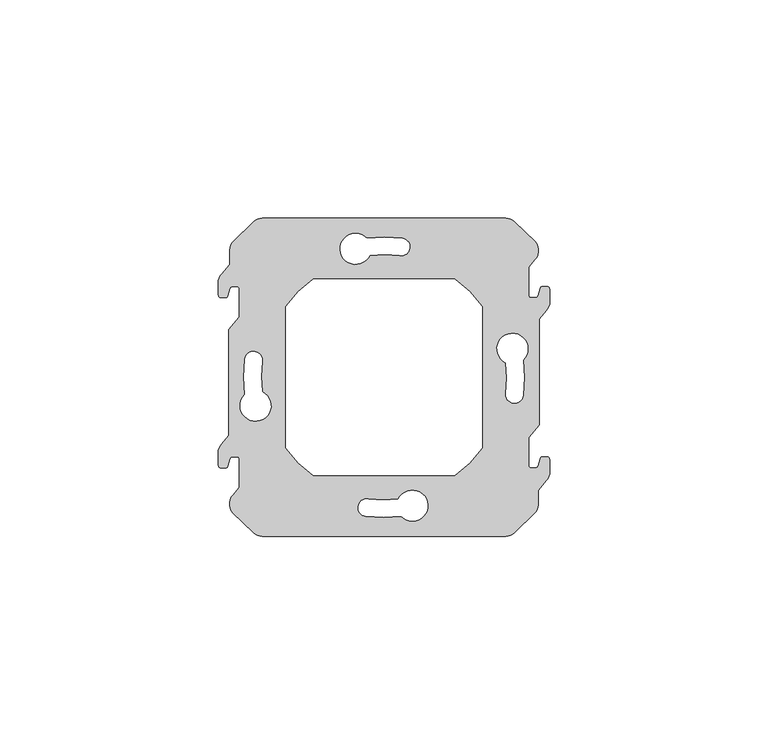
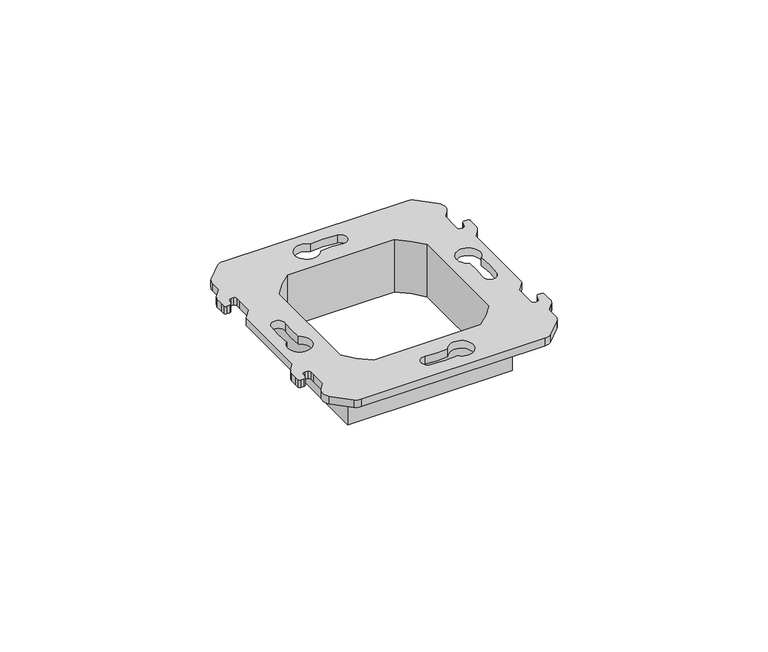
"""IFC4 building model written with IfcOpenShell, lengths in millimetres: proxy geometry."""

from ifc_helpers import new_model, si_unit, frame, origin, place, context, project, spatial, polyline, circle_curve, source, transform, mapped, element, save
from ifc_brep_helpers import plane_surface, cylinder_surface, revolved_surface, advanced_brep


def electrical_fixtures_37f6bd88(model_context):
    return source(origin(), model_context, "Body", "AdvancedBrep", [
        advanced_brep(
        [(-27.8618856, 36.4, 2.4375008), (-29.8352401, 35.6817577, 2.4375008), (-34.5626481, 31.099997, 2.4375008), (-35.325, 29.2544998, 2.4375008), (-35.325, 25.858147, 2.4375008), (-37.1551375, 23.6770741, 2.4375008), (-37.8831369, 22.2482948, 2.4375008), (-37.8831369, 20.1032876, 2.4375008), (-37.8831369, 18.8, 2.4375008), (-37.2831369, 18.2, 2.4375008), (-36.3845347, 18.2, 2.4375008), (-35.7308768, 18.6925666, 2.4375008), (-35.5094096, 19.4649142, 2.4375008), (-35.2678212, 20.3074334, 2.4375008), (-34.6141632, 20.8, 2.4375008), (-33.715561, 20.8, 2.4375008), (-33.115561, 20.2, 2.4375008), (-33.115561, 18.8967124, 2.4375008), (-33.115561, 13.7941352, 2.4375008), (-35.5, 10.9524715, 2.4375008), (-35.5, -13.3504099, 2.4375008), (-37.1551375, -15.3229259, 2.4375008), (-37.8831369, -16.7517052, 2.4375008), (-37.8831369, -18.8967124, 2.4375008), (-37.8831369, -20.2, 2.4375008), (-37.2831369, -20.8, 2.4375008), (-36.3845347, -20.8, 2.4375008), (-35.7308768, -20.3074334, 2.4375008), (-35.5094096, -19.5350858, 2.4375008), (-35.2678212, -18.6925666, 2.4375008), (-34.6141632, -18.2, 2.4375008), (-33.715561, -18.2, 2.4375008), (-33.115561, -18.8, 2.4375008), (-33.115561, -20.1032876, 2.4375008), (-33.115561, -25.2058648, 2.4375008), (-34.5487493, -26.9138721, 2.4375008), (-34.5486439, -31.0876932, 2.4375008), (-29.8352401, -35.6817577, 2.4375008), (-27.8618856, -36.4, 2.4375008), (27.8618856, -36.4, 2.4375008), (29.8352401, -35.6817577, 2.4375008), (34.5626481, -31.099997, 2.4375008), (35.325, -29.2544998, 2.4375008), (35.325, -25.858147, 2.4375008), (37.1551375, -23.6770741, 2.4375008), (37.8831369, -22.2482948, 2.4375008), (37.8831369, -20.1032876, 2.4375008), (37.8831369, -18.8, 2.4375008), (37.2831369, -18.2, 2.4375008), (36.3845347, -18.2, 2.4375008), (35.7308768, -18.6925666, 2.4375008), (35.5094096, -19.4649142, 2.4375008), (35.2678212, -20.3074334, 2.4375008), (34.6141632, -20.8, 2.4375008), (33.715561, -20.8, 2.4375008), (33.115561, -20.2, 2.4375008), (33.115561, -18.8967124, 2.4375008), (33.115561, -13.7941352, 2.4375008), (35.5, -10.9524715, 2.4375008), (35.5, 13.3504099, 2.4375008), (37.1551375, 15.3229259, 2.4375008), (37.8831369, 16.7517052, 2.4375008), (37.8831369, 18.8967124, 2.4375008), (37.8831369, 20.2, 2.4375008), (37.2831369, 20.8, 2.4375008), (36.3845347, 20.8, 2.4375008), (35.7308768, 20.3074334, 2.4375008), (35.5094096, 19.5350858, 2.4375008), (35.2678212, 18.6925666, 2.4375008), (34.6141632, 18.2, 2.4375008), (33.715561, 18.2, 2.4375008), (33.115561, 18.8, 2.4375008), (33.115561, 20.1032876, 2.4375008), (33.115561, 25.2058648, 2.4375008), (34.5487493, 26.9138721, 2.4375008), (34.5486439, 31.0876932, 2.4375008), (29.8352401, 35.6817577, 2.4375008), (27.8618856, 36.4, 2.4375008), (27.9050903, 3.2948561, 2.4375008), (31.8556482, 3.9616572, 2.4375008), (31.8309119, -4.1760763, 2.4375008), (27.8589525, -3.6577211, 2.4375008), (-27.9050903, -3.2948561, 2.4375008), (-31.8556482, -3.9616572, 2.4375008), (-31.8309119, 4.1760763, 2.4375008), (-27.8589525, 3.6577211, 2.4375008), (-3.2948561, 27.9050903, 2.4375008), (-3.9616572, 31.8556482, 2.4375008), (4.1760763, 31.8309119, 2.4375008), (3.6577211, 27.8589525, 2.4375008), (3.2948561, -27.9050903, 2.4375008), (3.9616572, -31.8556482, 2.4375008), (-4.1760763, -31.8309119, 2.4375008), (-3.6577211, -27.8589525, 2.4375008), (22.5, 16.2261024, 2.4375008), (22.5, -16.2261024, 2.4375008), (16.1766357, -22.5, 2.4375008), (-16.1766357, -22.5, 2.4375008), (-22.5, -16.2261024, 2.4375008), (-22.5, 16.2261024, 2.4375008), (-16.1766357, 22.5, 2.4375008), (16.1766357, 22.5, 2.4375008), (-27.8618856, 36.4, 0.0), (27.8618856, 36.4, 0.0), (29.8352401, 35.6817577, 0.0), (34.5626481, 31.099997, 0.0), (34.5487493, 26.9138721, 0.0), (33.115561, 25.2058648, 0.0), (33.115561, 20.1032876, 0.0), (33.115561, 18.8, 0.0), (33.715561, 18.2, 0.0), (34.6141632, 18.2, 0.0), (35.2678212, 18.6925666, 0.0), (35.5094096, 19.5350858, 0.0), (35.7308768, 20.3074334, 0.0), (36.3845347, 20.8, 0.0), (37.2831369, 20.8, 0.0), (37.8831369, 20.2, 0.0), (37.8831369, 18.8967124, 0.0), (37.8831369, 16.7517052, 0.0), (37.1551375, 15.3229259, 0.0), (35.5, 13.3504099, 0.0), (35.5, -10.9524715, 0.0), (33.115561, -13.7941352, 0.0), (33.115561, -18.8967124, 0.0), (33.115561, -20.2, 0.0), (33.715561, -20.8, 0.0), (34.6141632, -20.8, 0.0), (35.2678212, -20.3074334, 0.0), (35.5094096, -19.4649142, 0.0), (35.7308768, -18.6925666, 0.0), (36.3845347, -18.2, 0.0), (37.2831369, -18.2, 0.0), (37.8831369, -18.8, 0.0), (37.8831369, -20.1032876, 0.0), (37.8831369, -22.2482948, 0.0), (37.1551375, -23.6770741, 0.0), (35.325, -25.858147, 0.0), (35.325, -29.2544998, 0.0), (34.5486439, -31.0876932, 0.0), (29.8352401, -35.6817577, 0.0), (27.8618856, -36.4, 0.0), (-27.8618856, -36.4, 0.0), (-29.8352401, -35.6817577, 0.0), (-34.5626481, -31.099997, 0.0), (-34.5487493, -26.9138721, 0.0), (-33.115561, -25.2058648, 0.0), (-33.115561, -20.1032876, 0.0), (-33.115561, -18.8, 0.0), (-33.715561, -18.2, 0.0), (-34.6141632, -18.2, 0.0), (-35.2678212, -18.6925666, 0.0), (-35.5094096, -19.5350858, 0.0), (-35.7308768, -20.3074334, 0.0), (-36.3845347, -20.8, 0.0), (-37.2831369, -20.8, 0.0), (-37.8831369, -20.2, 0.0), (-37.8831369, -18.8967124, 0.0), (-37.8831369, -16.7517052, 0.0), (-37.1551375, -15.3229259, 0.0), (-35.5, -13.3504099, 0.0), (-35.5, 10.9524715, 0.0), (-33.115561, 13.7941352, 0.0), (-33.115561, 18.8967124, 0.0), (-33.115561, 20.2, 0.0), (-33.715561, 20.8, 0.0), (-34.6141632, 20.8, 0.0), (-35.2678212, 20.3074334, 0.0), (-35.5094096, 19.4649142, 0.0), (-35.7308768, 18.6925666, 0.0), (-36.3845347, 18.2, 0.0), (-37.2831369, 18.2, 0.0), (-37.8831369, 18.8, 0.0), (-37.8831369, 20.1032876, 0.0), (-37.8831369, 22.2482948, 0.0), (-37.1551375, 23.6770741, 0.0), (-35.325, 25.858147, 0.0), (-35.325, 29.2544998, 0.0), (-34.5486439, 31.0876932, 0.0), (-29.8352401, 35.6817577, 0.0), (27.9050903, 3.2948561, 0.0), (27.8589525, -3.6577211, 0.0), (31.8309119, -4.1760763, 0.0), (31.8556482, 3.9616572, 0.0), (-27.9050903, -3.2948561, 0.0), (-27.8589525, 3.6577211, 0.0), (-31.8309119, 4.1760763, 0.0), (-31.8556482, -3.9616572, 0.0), (-3.2948561, 27.9050903, 0.0), (3.6577211, 27.8589525, 0.0), (4.1760763, 31.8309119, 0.0), (-3.9616572, 31.8556482, 0.0), (3.2948561, -27.9050903, 0.0), (-3.6577211, -27.8589525, 0.0), (-4.1760763, -31.8309119, 0.0), (3.9616572, -31.8556482, 0.0), (-25.0160811, 24.2, 0.0), (-25.0160811, -24.2, 0.0), (25.0160811, -24.2, 0.0), (25.0160811, 24.2, 0.0), (22.5, 16.2261024, -14.3051196), (22.5, -16.2261024, -14.3051196), (16.1766357, -22.5, -14.3051196), (-16.1766357, -22.5, -14.3051196), (-22.5, -16.2261024, -14.3051196), (-22.5, 16.2261024, -14.3051196), (-16.1766357, 22.5, -14.3051196), (16.1766357, 22.5, -14.3051196), (-25.0160811, 24.2, -14.3051196), (25.0160811, 24.2, -14.3051196), (25.0160811, -24.2, -14.3051196), (-25.0160811, -24.2, -14.3051196)],
        [
            (0, 1, circle_curve(frame((-27.8618856, 33.3300054, 2.4375008), z_axis=(0.0, 0.0, 1.0), x_axis=(0.0, -1.0, 0.0)), 3.0699946)),
            (1, 2, circle_curve(frame((-0.2680233, 0.4449208, 2.4375008), z_axis=(0.0, 0.0, 1.0), x_axis=(0.0, -1.0, 0.0)), 45.9984237)),
            (2, 3, circle_curve(frame((-32.1732427, 29.0007227, 2.4375008), z_axis=(0.0, 0.0, 1.0), x_axis=(0.0, -1.0, 0.0)), 3.1619578)),
            (3, 4),
            (4, 5),
            (5, 6, circle_curve(frame((-34.5250548, 21.4371233, 2.4375008), z_axis=(0.0, 0.0, 1.0), x_axis=(0.0, 1.0, 0.0)), 3.4546657)),
            (6, 7),
            (7, 8),
            (8, 9, circle_curve(frame((-37.2831369, 18.8, 2.4375008), z_axis=(0.0, 0.0, 1.0), x_axis=(0.0, 1.0, 0.0)), 0.6)),
            (9, 10),
            (10, 11, circle_curve(frame((-36.3845347, 18.88, 2.4375008), z_axis=(0.0, 0.0, 1.0), x_axis=(0.0, 1.0, 0.0)), 0.68)),
            (11, 12),
            (12, 13),
            (13, 14, circle_curve(frame((-34.6141632, 20.12, 2.4375008), z_axis=(0.0, 0.0, -1.0), x_axis=(0.0, -1.0, 0.0)), 0.68)),
            (14, 15),
            (15, 16, circle_curve(frame((-33.715561, 20.2, 2.4375008), z_axis=(0.0, 0.0, -1.0), x_axis=(0.0, -1.0, 0.0)), 0.6)),
            (16, 17),
            (17, 18),
            (18, 19),
            (19, 20),
            (20, 21),
            (21, 22, circle_curve(frame((-34.5250548, -17.5628767, 2.4375008), z_axis=(0.0, 0.0, 1.0), x_axis=(0.0, 1.0, 0.0)), 3.4546657)),
            (22, 23),
            (23, 24),
            (24, 25, circle_curve(frame((-37.2831369, -20.2, 2.4375008), z_axis=(0.0, 0.0, 1.0), x_axis=(0.0, 1.0, 0.0)), 0.6)),
            (25, 26),
            (26, 27, circle_curve(frame((-36.3845347, -20.12, 2.4375008), z_axis=(0.0, 0.0, 1.0), x_axis=(0.0, 1.0, 0.0)), 0.68)),
            (27, 28),
            (28, 29),
            (29, 30, circle_curve(frame((-34.6141632, -18.88, 2.4375008), z_axis=(0.0, 0.0, -1.0), x_axis=(0.0, -1.0, 0.0)), 0.68)),
            (30, 31),
            (31, 32, circle_curve(frame((-33.715561, -18.8, 2.4375008), z_axis=(0.0, 0.0, -1.0), x_axis=(0.0, -1.0, 0.0)), 0.6)),
            (32, 33),
            (33, 34),
            (34, 35),
            (35, 36, circle_curve(frame((-32.1732427, -29.0007227, 2.4375008), z_axis=(0.0, 0.0, 1.0), x_axis=(0.0, 1.0, 0.0)), 3.1619578)),
            (36, 37, circle_curve(frame((-0.2680233, -0.4449208, 2.4375008), z_axis=(0.0, 0.0, 1.0), x_axis=(0.0, 1.0, 0.0)), 45.9984237)),
            (37, 38, circle_curve(frame((-27.8618856, -33.3300054, 2.4375008), z_axis=(0.0, 0.0, 1.0), x_axis=(0.0, 1.0, 0.0)), 3.0699946)),
            (38, 39),
            (39, 40, circle_curve(frame((27.8618856, -33.3300054, 2.4375008), z_axis=(0.0, 0.0, 1.0), x_axis=(0.0, 1.0, 0.0)), 3.0699946)),
            (40, 41, circle_curve(frame((0.2680233, -0.4449208, 2.4375008), z_axis=(0.0, 0.0, 1.0), x_axis=(0.0, 1.0, 0.0)), 45.9984237)),
            (41, 42, circle_curve(frame((32.1732427, -29.0007227, 2.4375008), z_axis=(0.0, 0.0, 1.0), x_axis=(0.0, 1.0, 0.0)), 3.1619578)),
            (42, 43),
            (43, 44),
            (44, 45, circle_curve(frame((34.5250548, -21.4371233, 2.4375008), z_axis=(0.0, 0.0, 1.0), x_axis=(0.0, -1.0, 0.0)), 3.4546657)),
            (45, 46),
            (46, 47),
            (47, 48, circle_curve(frame((37.2831369, -18.8, 2.4375008), z_axis=(0.0, 0.0, 1.0), x_axis=(0.0, -1.0, 0.0)), 0.6)),
            (48, 49),
            (49, 50, circle_curve(frame((36.3845347, -18.88, 2.4375008), z_axis=(0.0, 0.0, 1.0), x_axis=(0.0, -1.0, 0.0)), 0.68)),
            (50, 51),
            (51, 52),
            (52, 53, circle_curve(frame((34.6141632, -20.12, 2.4375008), z_axis=(0.0, 0.0, -1.0), x_axis=(0.0, 1.0, 0.0)), 0.68)),
            (53, 54),
            (54, 55, circle_curve(frame((33.715561, -20.2, 2.4375008), z_axis=(0.0, 0.0, -1.0), x_axis=(0.0, 1.0, 0.0)), 0.6)),
            (55, 56),
            (56, 57),
            (57, 58),
            (58, 59),
            (59, 60),
            (60, 61, circle_curve(frame((34.5250548, 17.5628767, 2.4375008), z_axis=(0.0, 0.0, 1.0), x_axis=(0.0, -1.0, 0.0)), 3.4546657)),
            (61, 62),
            (62, 63),
            (63, 64, circle_curve(frame((37.2831369, 20.2, 2.4375008), z_axis=(0.0, 0.0, 1.0), x_axis=(0.0, -1.0, 0.0)), 0.6)),
            (64, 65),
            (65, 66, circle_curve(frame((36.3845347, 20.12, 2.4375008), z_axis=(0.0, 0.0, 1.0), x_axis=(0.0, -1.0, 0.0)), 0.68)),
            (66, 67),
            (67, 68),
            (68, 69, circle_curve(frame((34.6141632, 18.88, 2.4375008), z_axis=(0.0, 0.0, -1.0), x_axis=(0.0, 1.0, 0.0)), 0.68)),
            (69, 70),
            (70, 71, circle_curve(frame((33.715561, 18.8, 2.4375008), z_axis=(0.0, 0.0, -1.0), x_axis=(0.0, 1.0, 0.0)), 0.6)),
            (71, 72),
            (72, 73),
            (73, 74),
            (74, 75, circle_curve(frame((32.1732427, 29.0007227, 2.4375008), z_axis=(0.0, 0.0, 1.0), x_axis=(0.0, -1.0, 0.0)), 3.1619578)),
            (75, 76, circle_curve(frame((0.2680233, 0.4449208, 2.4375008), z_axis=(0.0, 0.0, 1.0), x_axis=(0.0, -1.0, 0.0)), 45.9984237)),
            (76, 77, circle_curve(frame((27.8618856, 33.3300054, 2.4375008), z_axis=(0.0, 0.0, 1.0), x_axis=(0.0, -1.0, 0.0)), 3.0699946)),
            (77, 0),
            (78, 79, circle_curve(frame((29.3931272, 6.5149916, 2.4375008), z_axis=(0.0, 0.0, -1.0), x_axis=(0.0, -1.0, 0.0)), 3.5473266)),
            (79, 80, circle_curve(frame((-0.0910888, -0.0101383, 2.4375008), z_axis=(0.0, 0.0, -1.0), x_axis=(0.0, -1.0, 0.0)), 32.1926881)),
            (80, 81, circle_curve(frame((29.8424212, -3.9361393, 2.4375008), z_axis=(0.0, 0.0, -1.0), x_axis=(0.0, -1.0, 0.0)), 2.0029141)),
            (81, 78, circle_curve(frame((1.8636153, -0.0087726, 2.4375008), z_axis=(0.0, 0.0, 1.0), x_axis=(0.0, -1.0, 0.0)), 26.2501882)),
            (82, 83, circle_curve(frame((-29.3931272, -6.5149916, 2.4375008), z_axis=(0.0, 0.0, -1.0), x_axis=(0.0, 1.0, 0.0)), 3.5473266)),
            (83, 84, circle_curve(frame((0.0910888, 0.0101383, 2.4375008), z_axis=(0.0, 0.0, -1.0), x_axis=(0.0, 1.0, 0.0)), 32.1926881)),
            (84, 85, circle_curve(frame((-29.8424212, 3.9361393, 2.4375008), z_axis=(0.0, 0.0, -1.0), x_axis=(0.0, 1.0, 0.0)), 2.0029141)),
            (85, 82, circle_curve(frame((-1.8636153, 0.0087726, 2.4375008), z_axis=(0.0, 0.0, 1.0), x_axis=(0.0, 1.0, 0.0)), 26.2501882)),
            (86, 87, circle_curve(frame((-6.5149916, 29.3931272, 2.4375008), z_axis=(0.0, 0.0, -1.0), x_axis=(1.0, 0.0, 0.0)), 3.5473266)),
            (87, 88, circle_curve(frame((0.0101383, -0.0910888, 2.4375008), z_axis=(0.0, 0.0, -1.0), x_axis=(1.0, 0.0, 0.0)), 32.1926881)),
            (88, 89, circle_curve(frame((3.9361393, 29.8424212, 2.4375008), z_axis=(0.0, 0.0, -1.0), x_axis=(1.0, 0.0, 0.0)), 2.0029141)),
            (89, 86, circle_curve(frame((0.0087726, 1.8636153, 2.4375008), z_axis=(0.0, 0.0, 1.0), x_axis=(1.0, 0.0, 0.0)), 26.2501882)),
            (90, 91, circle_curve(frame((6.5149916, -29.3931272, 2.4375008), z_axis=(0.0, 0.0, -1.0), x_axis=(-1.0, 0.0, 0.0)), 3.5473266)),
            (91, 92, circle_curve(frame((-0.0101383, 0.0910888, 2.4375008), z_axis=(0.0, 0.0, -1.0), x_axis=(-1.0, 0.0, 0.0)), 32.1926881)),
            (92, 93, circle_curve(frame((-3.9361393, -29.8424212, 2.4375008), z_axis=(0.0, 0.0, -1.0), x_axis=(-1.0, 0.0, 0.0)), 2.0029141)),
            (93, 90, circle_curve(frame((-0.0087726, -1.8636153, 2.4375008), z_axis=(0.0, 0.0, 1.0), x_axis=(-1.0, 0.0, 0.0)), 26.2501882)),
            (94, 95),
            (95, 96, circle_curve(frame((1.1253261, -1.0064586, 2.4375008), z_axis=(0.0, 0.0, -1.0), x_axis=(1.0, 0.0, 0.0)), 26.2395549)),
            (96, 97),
            (97, 98, circle_curve(frame((-1.1253261, -1.0064586, 2.4375008), z_axis=(0.0, 0.0, -1.0), x_axis=(-1.0, 0.0, 0.0)), 26.2395549)),
            (98, 99),
            (99, 100, circle_curve(frame((-1.1253261, 1.0064586, 2.4375008), z_axis=(0.0, 0.0, -1.0), x_axis=(-1.0, 0.0, 0.0)), 26.2395549)),
            (100, 101),
            (101, 94, circle_curve(frame((1.1253261, 1.0064586, 2.4375008), z_axis=(0.0, 0.0, -1.0), x_axis=(1.0, 0.0, 0.0)), 26.2395549)),
            (102, 103),
            (103, 104, circle_curve(frame((27.8618856, 33.3300054, 0.0), z_axis=(0.0, 0.0, -1.0), x_axis=(0.0, -1.0, 0.0)), 3.0699946)),
            (104, 105, circle_curve(frame((0.2680233, 0.4449208, 0.0), z_axis=(0.0, 0.0, -1.0), x_axis=(0.0, -1.0, 0.0)), 45.9984237)),
            (105, 106, circle_curve(frame((32.1732427, 29.0007227, 0.0), z_axis=(0.0, 0.0, -1.0), x_axis=(0.0, -1.0, 0.0)), 3.1619578)),
            (106, 107),
            (107, 108),
            (108, 109),
            (109, 110, circle_curve(frame((33.715561, 18.8, 0.0), z_axis=(0.0, 0.0, 1.0), x_axis=(0.0, 1.0, 0.0)), 0.6)),
            (110, 111),
            (111, 112, circle_curve(frame((34.6141632, 18.88, 0.0), z_axis=(0.0, 0.0, 1.0), x_axis=(0.0, 1.0, 0.0)), 0.68)),
            (112, 113),
            (113, 114),
            (114, 115, circle_curve(frame((36.3845347, 20.12, 0.0), z_axis=(0.0, 0.0, -1.0), x_axis=(0.0, -1.0, 0.0)), 0.68)),
            (115, 116),
            (116, 117, circle_curve(frame((37.2831369, 20.2, 0.0), z_axis=(0.0, 0.0, -1.0), x_axis=(0.0, -1.0, 0.0)), 0.6)),
            (117, 118),
            (118, 119),
            (119, 120, circle_curve(frame((34.5250548, 17.5628767, 0.0), z_axis=(0.0, 0.0, -1.0), x_axis=(0.0, -1.0, 0.0)), 3.4546657)),
            (120, 121),
            (121, 122),
            (122, 123),
            (123, 124),
            (124, 125),
            (125, 126, circle_curve(frame((33.715561, -20.2, 0.0), z_axis=(0.0, 0.0, 1.0), x_axis=(0.0, 1.0, 0.0)), 0.6)),
            (126, 127),
            (127, 128, circle_curve(frame((34.6141632, -20.12, 0.0), z_axis=(0.0, 0.0, 1.0), x_axis=(0.0, 1.0, 0.0)), 0.68)),
            (128, 129),
            (129, 130),
            (130, 131, circle_curve(frame((36.3845347, -18.88, 0.0), z_axis=(0.0, 0.0, -1.0), x_axis=(0.0, -1.0, 0.0)), 0.68)),
            (131, 132),
            (132, 133, circle_curve(frame((37.2831369, -18.8, 0.0), z_axis=(0.0, 0.0, -1.0), x_axis=(0.0, -1.0, 0.0)), 0.6)),
            (133, 134),
            (134, 135),
            (135, 136, circle_curve(frame((34.5250548, -21.4371233, 0.0), z_axis=(0.0, 0.0, -1.0), x_axis=(0.0, -1.0, 0.0)), 3.4546657)),
            (136, 137),
            (137, 138),
            (138, 139, circle_curve(frame((32.1732427, -29.0007227, 0.0), z_axis=(0.0, 0.0, -1.0), x_axis=(0.0, 1.0, 0.0)), 3.1619578)),
            (139, 140, circle_curve(frame((0.2680233, -0.4449208, 0.0), z_axis=(0.0, 0.0, -1.0), x_axis=(0.0, 1.0, 0.0)), 45.9984237)),
            (140, 141, circle_curve(frame((27.8618856, -33.3300054, 0.0), z_axis=(0.0, 0.0, -1.0), x_axis=(0.0, 1.0, 0.0)), 3.0699946)),
            (141, 142),
            (142, 143, circle_curve(frame((-27.8618856, -33.3300054, 0.0), z_axis=(0.0, 0.0, -1.0), x_axis=(0.0, 1.0, 0.0)), 3.0699946)),
            (143, 144, circle_curve(frame((-0.2680233, -0.4449208, 0.0), z_axis=(0.0, 0.0, -1.0), x_axis=(0.0, 1.0, 0.0)), 45.9984237)),
            (144, 145, circle_curve(frame((-32.1732427, -29.0007227, 0.0), z_axis=(0.0, 0.0, -1.0), x_axis=(0.0, 1.0, 0.0)), 3.1619578)),
            (145, 146),
            (146, 147),
            (147, 148),
            (148, 149, circle_curve(frame((-33.715561, -18.8, 0.0), z_axis=(0.0, 0.0, 1.0), x_axis=(0.0, -1.0, 0.0)), 0.6)),
            (149, 150),
            (150, 151, circle_curve(frame((-34.6141632, -18.88, 0.0), z_axis=(0.0, 0.0, 1.0), x_axis=(0.0, -1.0, 0.0)), 0.68)),
            (151, 152),
            (152, 153),
            (153, 154, circle_curve(frame((-36.3845347, -20.12, 0.0), z_axis=(0.0, 0.0, -1.0), x_axis=(0.0, 1.0, 0.0)), 0.68)),
            (154, 155),
            (155, 156, circle_curve(frame((-37.2831369, -20.2, 0.0), z_axis=(0.0, 0.0, -1.0), x_axis=(0.0, 1.0, 0.0)), 0.6)),
            (156, 157),
            (157, 158),
            (158, 159, circle_curve(frame((-34.5250548, -17.5628767, 0.0), z_axis=(0.0, 0.0, -1.0), x_axis=(0.0, 1.0, 0.0)), 3.4546657)),
            (159, 160),
            (160, 161),
            (161, 162),
            (162, 163),
            (163, 164),
            (164, 165, circle_curve(frame((-33.715561, 20.2, 0.0), z_axis=(0.0, 0.0, 1.0), x_axis=(0.0, -1.0, 0.0)), 0.6)),
            (165, 166),
            (166, 167, circle_curve(frame((-34.6141632, 20.12, 0.0), z_axis=(0.0, 0.0, 1.0), x_axis=(0.0, -1.0, 0.0)), 0.68)),
            (167, 168),
            (168, 169),
            (169, 170, circle_curve(frame((-36.3845347, 18.88, 0.0), z_axis=(0.0, 0.0, -1.0), x_axis=(0.0, 1.0, 0.0)), 0.68)),
            (170, 171),
            (171, 172, circle_curve(frame((-37.2831369, 18.8, 0.0), z_axis=(0.0, 0.0, -1.0), x_axis=(0.0, 1.0, 0.0)), 0.6)),
            (172, 173),
            (173, 174),
            (174, 175, circle_curve(frame((-34.5250548, 21.4371233, 0.0), z_axis=(0.0, 0.0, -1.0), x_axis=(0.0, 1.0, 0.0)), 3.4546657)),
            (175, 176),
            (176, 177),
            (177, 178, circle_curve(frame((-32.1732427, 29.0007227, 0.0), z_axis=(0.0, 0.0, -1.0), x_axis=(0.0, -1.0, 0.0)), 3.1619578)),
            (178, 179, circle_curve(frame((-0.2680233, 0.4449208, 0.0), z_axis=(0.0, 0.0, -1.0), x_axis=(0.0, -1.0, 0.0)), 45.9984237)),
            (179, 102, circle_curve(frame((-27.8618856, 33.3300054, 0.0), z_axis=(0.0, 0.0, -1.0), x_axis=(0.0, -1.0, 0.0)), 3.0699946)),
            (180, 181, circle_curve(frame((1.8636153, -0.0087726, 0.0), z_axis=(0.0, 0.0, -1.0), x_axis=(0.0, -1.0, 0.0)), 26.2501882)),
            (181, 182, circle_curve(frame((29.8424212, -3.9361393, 0.0), z_axis=(0.0, 0.0, 1.0), x_axis=(0.0, -1.0, 0.0)), 2.0029141)),
            (182, 183, circle_curve(frame((-0.0910888, -0.0101383, 0.0), z_axis=(0.0, 0.0, 1.0), x_axis=(0.0, -1.0, 0.0)), 32.1926881)),
            (183, 180, circle_curve(frame((29.3931272, 6.5149916, 0.0), z_axis=(0.0, 0.0, 1.0), x_axis=(0.0, -1.0, 0.0)), 3.5473266)),
            (184, 185, circle_curve(frame((-1.8636153, 0.0087726, 0.0), z_axis=(0.0, 0.0, -1.0), x_axis=(0.0, 1.0, 0.0)), 26.2501882)),
            (185, 186, circle_curve(frame((-29.8424212, 3.9361393, 0.0), z_axis=(0.0, 0.0, 1.0), x_axis=(0.0, 1.0, 0.0)), 2.0029141)),
            (186, 187, circle_curve(frame((0.0910888, 0.0101383, 0.0), z_axis=(0.0, 0.0, 1.0), x_axis=(0.0, 1.0, 0.0)), 32.1926881)),
            (187, 184, circle_curve(frame((-29.3931272, -6.5149916, 0.0), z_axis=(0.0, 0.0, 1.0), x_axis=(0.0, 1.0, 0.0)), 3.5473266)),
            (188, 189, circle_curve(frame((0.0087726, 1.8636153, 0.0), z_axis=(0.0, 0.0, -1.0), x_axis=(1.0, 0.0, 0.0)), 26.2501882)),
            (189, 190, circle_curve(frame((3.9361393, 29.8424212, 0.0), z_axis=(0.0, 0.0, 1.0), x_axis=(1.0, 0.0, 0.0)), 2.0029141)),
            (190, 191, circle_curve(frame((0.0101383, -0.0910888, 0.0), z_axis=(0.0, 0.0, 1.0), x_axis=(1.0, 0.0, 0.0)), 32.1926881)),
            (191, 188, circle_curve(frame((-6.5149916, 29.3931272, 0.0), z_axis=(0.0, 0.0, 1.0), x_axis=(1.0, 0.0, 0.0)), 3.5473266)),
            (192, 193, circle_curve(frame((-0.0087726, -1.8636153, 0.0), z_axis=(0.0, 0.0, -1.0), x_axis=(-1.0, 0.0, 0.0)), 26.2501882)),
            (193, 194, circle_curve(frame((-3.9361393, -29.8424212, 0.0), z_axis=(0.0, 0.0, 1.0), x_axis=(-1.0, 0.0, 0.0)), 2.0029141)),
            (194, 195, circle_curve(frame((-0.0101383, 0.0910888, 0.0), z_axis=(0.0, 0.0, 1.0), x_axis=(-1.0, 0.0, 0.0)), 32.1926881)),
            (195, 192, circle_curve(frame((6.5149916, -29.3931272, 0.0), z_axis=(0.0, 0.0, 1.0), x_axis=(-1.0, 0.0, 0.0)), 3.5473266)),
            (196, 197),
            (197, 198),
            (198, 199),
            (199, 196),
            (0, 102),
            (179, 1),
            (178, 2),
            (36, 144),
            (143, 37),
            (142, 38),
            (141, 39),
            (140, 40),
            (139, 41),
            (138, 42),
            (137, 43),
            (136, 44),
            (135, 45),
            (134, 46),
            (133, 47),
            (132, 48),
            (131, 49),
            (130, 50),
            (129, 51),
            (57, 123),
            (122, 58),
            (121, 59),
            (120, 60),
            (119, 61),
            (118, 62),
            (117, 63),
            (116, 64),
            (115, 65),
            (114, 66),
            (113, 67),
            (73, 107),
            (106, 74),
            (105, 75),
            (104, 76),
            (103, 77),
            (78, 180),
            (183, 79),
            (182, 80),
            (181, 81),
            (82, 184),
            (187, 83),
            (186, 84),
            (185, 85),
            (86, 188),
            (191, 87),
            (190, 88),
            (189, 89),
            (90, 192),
            (195, 91),
            (194, 92),
            (193, 93),
            (94, 200),
            (200, 201),
            (201, 95),
            (96, 202),
            (202, 203),
            (203, 97),
            (98, 204),
            (204, 205),
            (205, 99),
            (100, 206),
            (206, 207),
            (207, 101),
            (208, 209),
            (209, 210),
            (210, 211),
            (211, 208),
            (204, 203, circle_curve(frame((-1.1253261, -1.0064586, -14.3051196), z_axis=(0.0, 0.0, 1.0), x_axis=(-1.0, 0.0, 0.0)), 26.2395549)),
            (202, 201, circle_curve(frame((1.1253261, -1.0064586, -14.3051196), z_axis=(0.0, 0.0, 1.0), x_axis=(1.0, 0.0, 0.0)), 26.2395549)),
            (200, 207, circle_curve(frame((1.1253261, 1.0064586, -14.3051196), z_axis=(0.0, 0.0, 1.0), x_axis=(1.0, 0.0, 0.0)), 26.2395549)),
            (206, 205, circle_curve(frame((-1.1253261, 1.0064586, -14.3051196), z_axis=(0.0, 0.0, 1.0), x_axis=(-1.0, 0.0, 0.0)), 26.2395549)),
            (211, 197),
            (196, 208),
            (210, 198),
            (209, 199),
            (177, 3),
            (176, 4),
            (175, 5),
            (174, 6),
            (173, 7),
            (172, 8),
            (171, 9),
            (170, 10),
            (169, 11),
            (168, 12),
            (167, 13),
            (166, 14),
            (165, 15),
            (164, 16),
            (163, 17),
            (162, 18),
            (161, 19),
            (160, 20),
            (159, 21),
            (158, 22),
            (157, 23),
            (156, 24),
            (155, 25),
            (154, 26),
            (153, 27),
            (152, 28),
            (151, 29),
            (150, 30),
            (149, 31),
            (148, 32),
            (147, 33),
            (146, 34),
            (145, 35),
            (128, 52),
            (127, 53),
            (126, 54),
            (125, 55),
            (124, 56),
            (112, 68),
            (111, 69),
            (110, 70),
            (109, 71),
            (108, 72),
        ],
        [
            plane_surface(frame((-27.8618856, 30.2600108, 2.4375008), z_axis=(0.0, 0.0, 1.0), x_axis=(1.0, 0.0, 0.0))),
            plane_surface(frame((-27.8618856, 30.2600108, 0.0), z_axis=(0.0, 0.0, -1.0), x_axis=(-1.0, 0.0, 0.0))),
            cylinder_surface(frame((-27.8618856, 33.3300054, 0.0), z_axis=(0.0, 0.0, 1.0), x_axis=(0.0, -1.0, 0.0)), 3.0699946),
            cylinder_surface(frame((-0.2680233, 0.4449208, 0.0), z_axis=(0.0, 0.0, 1.0), x_axis=(0.0, -1.0, 0.0)), 45.9984237),
            cylinder_surface(frame((-0.2680233, -0.4449208, 0.0), z_axis=(0.0, 0.0, 1.0), x_axis=(0.0, 1.0, 0.0)), 45.9984237),
            cylinder_surface(frame((-27.8618856, -33.3300054, 0.0), z_axis=(0.0, 0.0, 1.0), x_axis=(0.0, 1.0, 0.0)), 3.0699946),
            plane_surface(frame((-27.8618856, -36.4, 2.4375008), z_axis=(0.0, -1.0, 0.0), x_axis=(0.0, 0.0, -1.0))),
            cylinder_surface(frame((27.8618856, -33.3300054, 0.0), z_axis=(0.0, 0.0, 1.0), x_axis=(0.0, 1.0, 0.0)), 3.0699946),
            cylinder_surface(frame((0.2680233, -0.4449208, 0.0), z_axis=(0.0, 0.0, 1.0), x_axis=(0.0, 1.0, 0.0)), 45.9984237),
            cylinder_surface(frame((32.1732427, -29.0007227, 0.0), z_axis=(0.0, 0.0, 1.0), x_axis=(0.0, 1.0, 0.0)), 3.1619578),
            plane_surface(frame((35.325, -29.2544998, 2.4375008), z_axis=(1.0, 0.0, 0.0), x_axis=(0.0, 0.0, -1.0))),
            plane_surface(frame((35.325, -25.858147, 2.4375008), z_axis=(0.7660444431193687, -0.6427876096860737, 0.0), x_axis=(0.0, 0.0, -1.0))),
            cylinder_surface(frame((34.5250548, -21.4371233, 0.0), z_axis=(0.0, 0.0, 1.0), x_axis=(0.0, -1.0, 0.0)), 3.4546657),
            plane_surface(frame((37.8831369, -22.2482948, 2.4375008), z_axis=(1.0, 0.0, 0.0), x_axis=(0.0, 0.0, -1.0))),
            plane_surface(frame((37.8831369, -20.1032876, 2.4375008), z_axis=(1.0, 0.0, 0.0), x_axis=(0.0, 0.0, -1.0))),
            cylinder_surface(frame((37.2831369, -18.8, 0.0), z_axis=(0.0, 0.0, 1.0), x_axis=(0.0, -1.0, 0.0)), 0.6),
            plane_surface(frame((37.2831369, -18.2, 2.4375008), z_axis=(0.0, 1.0, 0.0), x_axis=(0.0, 0.0, -1.0))),
            cylinder_surface(frame((36.3845347, -18.88, 0.0), z_axis=(0.0, 0.0, 1.0), x_axis=(0.0, -1.0, 0.0)), 0.68),
            plane_surface(frame((35.7308768, -18.6925666, 2.4375008), z_axis=(-0.9612616959382921, 0.27563735581709237, 0.0), x_axis=(0.0, 0.0, -1.0))),
            plane_surface(frame((33.115561, -13.7941352, 2.4375008), z_axis=(0.7660444431184643, -0.6427876096871517, 0.0), x_axis=(0.0, 0.0, -1.0))),
            plane_surface(frame((35.5, -10.9524715, 2.4375008), z_axis=(1.0, 0.0, 0.0), x_axis=(0.0, 0.0, -1.0))),
            plane_surface(frame((35.5, 13.3504099, 2.4375008), z_axis=(0.766044443119369, -0.6427876096860735, 0.0), x_axis=(0.0, 0.0, -1.0))),
            cylinder_surface(frame((34.5250548, 17.5628767, 0.0), z_axis=(0.0, 0.0, 1.0), x_axis=(0.0, -1.0, 0.0)), 3.4546657),
            plane_surface(frame((37.8831369, 16.7517052, 2.4375008), z_axis=(1.0, 0.0, 0.0), x_axis=(0.0, 0.0, -1.0))),
            plane_surface(frame((37.8831369, 18.8967124, 2.4375008), z_axis=(1.0, 0.0, 0.0), x_axis=(0.0, 0.0, -1.0))),
            cylinder_surface(frame((37.2831369, 20.2, 0.0), z_axis=(0.0, 0.0, 1.0), x_axis=(0.0, -1.0, 0.0)), 0.6),
            plane_surface(frame((37.2831369, 20.8, 2.4375008), z_axis=(0.0, 1.0, 0.0), x_axis=(0.0, 0.0, -1.0))),
            cylinder_surface(frame((36.3845347, 20.12, 0.0), z_axis=(0.0, 0.0, 1.0), x_axis=(0.0, -1.0, 0.0)), 0.68),
            plane_surface(frame((35.7308768, 20.3074334, 2.4375008), z_axis=(-0.9612616959382918, 0.27563735581709375, 0.0), x_axis=(0.0, 0.0, -1.0))),
            plane_surface(frame((33.115561, 25.2058648, 2.4375008), z_axis=(0.7660444431184653, -0.6427876096871505, 0.0), x_axis=(0.0, 0.0, -1.0))),
            cylinder_surface(frame((32.1732427, 29.0007227, 0.0), z_axis=(0.0, 0.0, 1.0), x_axis=(0.0, -1.0, 0.0)), 3.1619578),
            cylinder_surface(frame((0.2680233, 0.4449208, 0.0), z_axis=(0.0, 0.0, 1.0), x_axis=(0.0, -1.0, 0.0)), 45.9984237),
            cylinder_surface(frame((27.8618856, 33.3300054, 0.0), z_axis=(0.0, 0.0, 1.0), x_axis=(0.0, -1.0, 0.0)), 3.0699946),
            plane_surface(frame((27.8618856, 36.4, 2.4375008), z_axis=(0.0, 1.0, 0.0), x_axis=(0.0, 0.0, -1.0))),
            revolved_surface(polyline([(29.3931272, 2.967665, 0.0), (29.3931272, 2.967665, 2.4375008)]), (29.3931272, 6.5149916, 0.0), (0.0, 0.0, -1.0)),
            revolved_surface(polyline([(-0.0910888, -32.2028264, 0.0), (-0.0910888, -32.2028264, 2.4375008)]), (-0.0910888, -0.0101383, 0.0), (0.0, 0.0, -1.0)),
            revolved_surface(polyline([(29.8424212, -5.9390534, 0.0), (29.8424212, -5.9390534, 2.4375008)]), (29.8424212, -3.9361393, 0.0), (0.0, 0.0, -1.0)),
            cylinder_surface(frame((1.8636153, -0.0087726, 0.0), z_axis=(0.0, 0.0, 1.0), x_axis=(0.0, -1.0, 0.0)), 26.2501882),
            revolved_surface(polyline([(-29.3931272, -2.967665, 0.0), (-29.3931272, -2.967665, 2.4375008)]), (-29.3931272, -6.5149916, 0.0), (0.0, 0.0, -1.0)),
            revolved_surface(polyline([(0.0910888, 32.2028264, 0.0), (0.0910888, 32.2028264, 2.4375008)]), (0.0910888, 0.0101383, 0.0), (0.0, 0.0, -1.0)),
            revolved_surface(polyline([(-29.8424212, 5.9390534, 0.0), (-29.8424212, 5.9390534, 2.4375008)]), (-29.8424212, 3.9361393, 0.0), (0.0, 0.0, -1.0)),
            cylinder_surface(frame((-1.8636153, 0.0087726, 0.0), z_axis=(0.0, 0.0, 1.0), x_axis=(0.0, 1.0, 0.0)), 26.2501882),
            revolved_surface(polyline([(-2.967665, 29.3931272, 0.0), (-2.967665, 29.3931272, 2.4375008)]), (-6.5149916, 29.3931272, 0.0), (0.0, 0.0, -1.0)),
            revolved_surface(polyline([(32.2028264, -0.0910888, 0.0), (32.2028264, -0.0910888, 2.4375008)]), (0.0101383, -0.0910888, 0.0), (0.0, 0.0, -1.0)),
            revolved_surface(polyline([(5.9390534, 29.8424212, 0.0), (5.9390534, 29.8424212, 2.4375008)]), (3.9361393, 29.8424212, 0.0), (0.0, 0.0, -1.0)),
            cylinder_surface(frame((0.0087726, 1.8636153, 0.0), z_axis=(0.0, 0.0, 1.0), x_axis=(1.0, 0.0, 0.0)), 26.2501882),
            revolved_surface(polyline([(2.967665, -29.3931272, 0.0), (2.967665, -29.3931272, 2.4375008)]), (6.5149916, -29.3931272, 0.0), (0.0, 0.0, -1.0)),
            revolved_surface(polyline([(-32.2028264, 0.0910888, 0.0), (-32.2028264, 0.0910888, 2.4375008)]), (-0.0101383, 0.0910888, 0.0), (0.0, 0.0, -1.0)),
            revolved_surface(polyline([(-5.9390534, -29.8424212, 0.0), (-5.9390534, -29.8424212, 2.4375008)]), (-3.9361393, -29.8424212, 0.0), (0.0, 0.0, -1.0)),
            cylinder_surface(frame((-0.0087726, -1.8636153, 0.0), z_axis=(0.0, 0.0, 1.0), x_axis=(-1.0, 0.0, 0.0)), 26.2501882),
            plane_surface(frame((22.5, 22.5, 2.4375008), z_axis=(-1.0, 0.0, 0.0), x_axis=(0.0, 0.0, -1.0))),
            plane_surface(frame((22.5, -22.5, 2.4375008), z_axis=(0.0, 1.0, 0.0), x_axis=(0.0, 0.0, -1.0))),
            plane_surface(frame((-22.5, -22.5, 2.4375008), z_axis=(1.0, 0.0, 0.0), x_axis=(0.0, 0.0, -1.0))),
            plane_surface(frame((-22.5, 22.5, 2.4375008), z_axis=(0.0, -1.0, 0.0), x_axis=(0.0, 0.0, -1.0))),
            plane_surface(frame((-25.0160811, 22.7, -14.3051196), z_axis=(0.0, 0.0, -1.0), x_axis=(0.0, 1.0, 0.0))),
            plane_surface(frame((-25.0160811, 24.2, 2.4375008), z_axis=(-1.0, 0.0, 0.0), x_axis=(0.0, 0.0, -1.0))),
            plane_surface(frame((-25.0160811, -24.2, 2.4375008), z_axis=(0.0, -1.0, 0.0), x_axis=(0.0, 0.0, -1.0))),
            plane_surface(frame((25.0160811, -24.2, 2.4375008), z_axis=(1.0, 0.0, 0.0), x_axis=(0.0, 0.0, -1.0))),
            plane_surface(frame((25.0160811, 24.2, 2.4375008), z_axis=(0.0, 1.0, 0.0), x_axis=(0.0, 0.0, -1.0))),
            revolved_surface(polyline([(-27.364881, 1.0064586, -14.3051196), (-27.364881, 1.0064586, 2.4375008)]), (-1.1253261, 1.0064586, 0.0), (0.0, 0.0, -1.0)),
            revolved_surface(polyline([(27.364881, 1.0064586, -14.3051196), (27.364881, 1.0064586, 2.4375008)]), (1.1253261, 1.0064586, 0.0), (0.0, 0.0, -1.0)),
            revolved_surface(polyline([(27.364881, -1.0064586, -14.3051196), (27.364881, -1.0064586, 2.4375008)]), (1.1253261, -1.0064586, 0.0), (0.0, 0.0, -1.0)),
            revolved_surface(polyline([(-27.364881, -1.0064586, -14.3051196), (-27.364881, -1.0064586, 2.4375008)]), (-1.1253261, -1.0064586, 0.0), (0.0, 0.0, -1.0)),
            cylinder_surface(frame((-32.1732427, 29.0007227, 0.0), z_axis=(0.0, 0.0, 1.0), x_axis=(0.0, -1.0, 0.0)), 3.1619578),
            plane_surface(frame((-35.325, 29.2544998, 2.4375008), z_axis=(-1.0, 0.0, 0.0), x_axis=(0.0, 0.0, -1.0))),
            plane_surface(frame((-35.325, 25.858147, 2.4375008), z_axis=(-0.7660444431193687, 0.6427876096860737, 0.0), x_axis=(0.0, 0.0, -1.0))),
            cylinder_surface(frame((-34.5250548, 21.4371233, 0.0), z_axis=(0.0, 0.0, 1.0), x_axis=(0.0, 1.0, 0.0)), 3.4546657),
            plane_surface(frame((-37.8831369, 22.2482948, 2.4375008), z_axis=(-1.0, 0.0, 0.0), x_axis=(0.0, 0.0, -1.0))),
            plane_surface(frame((-37.8831369, 20.1032876, 2.4375008), z_axis=(-1.0, 0.0, 0.0), x_axis=(0.0, 0.0, -1.0))),
            cylinder_surface(frame((-37.2831369, 18.8, 0.0), z_axis=(0.0, 0.0, 1.0), x_axis=(0.0, 1.0, 0.0)), 0.6),
            plane_surface(frame((-37.2831369, 18.2, 2.4375008), z_axis=(0.0, -1.0, 0.0), x_axis=(0.0, 0.0, -1.0))),
            cylinder_surface(frame((-36.3845347, 18.88, 0.0), z_axis=(0.0, 0.0, 1.0), x_axis=(0.0, 1.0, 0.0)), 0.68),
            plane_surface(frame((-35.7308768, 18.6925666, 2.4375008), z_axis=(0.961261695938292, -0.2756373558170931, 0.0), x_axis=(0.0, 0.0, -1.0))),
            plane_surface(frame((-35.5094096, 19.4649142, 2.4375008), z_axis=(0.9612616959382895, -0.27563735581710186, 0.0), x_axis=(0.0, 0.0, -1.0))),
            revolved_surface(polyline([(-34.6141632, 19.44, 0.0), (-34.6141632, 19.44, 2.4375008)]), (-34.6141632, 20.12, 0.0), (0.0, 0.0, -1.0)),
            plane_surface(frame((-34.6141632, 20.8, 2.4375008), z_axis=(0.0, -1.0, 0.0), x_axis=(0.0, 0.0, -1.0))),
            revolved_surface(polyline([(-33.715561, 19.599999999999998, 0.0), (-33.715561, 19.599999999999998, 2.4375008)]), (-33.715561, 20.2, 0.0), (0.0, 0.0, -1.0)),
            plane_surface(frame((-33.115561, 20.2, 2.4375008), z_axis=(-1.0, 0.0, 0.0), x_axis=(0.0, 0.0, -1.0))),
            plane_surface(frame((-33.115561, 18.8967124, 2.4375008), z_axis=(-1.0, 0.0, 0.0), x_axis=(0.0, 0.0, -1.0))),
            plane_surface(frame((-33.115561, 13.7941352, 2.4375008), z_axis=(-0.7660444431184648, 0.642787609687151, 0.0), x_axis=(0.0, 0.0, -1.0))),
            plane_surface(frame((-35.5, 10.9524715, 2.4375008), z_axis=(-1.0, 0.0, 0.0), x_axis=(0.0, 0.0, -1.0))),
            plane_surface(frame((-35.5, -13.3504099, 2.4375008), z_axis=(-0.7660444431193687, 0.6427876096860738, 0.0), x_axis=(0.0, 0.0, -1.0))),
            cylinder_surface(frame((-34.5250548, -17.5628767, 0.0), z_axis=(0.0, 0.0, 1.0), x_axis=(0.0, 1.0, 0.0)), 3.4546657),
            plane_surface(frame((-37.8831369, -16.7517052, 2.4375008), z_axis=(-1.0, 0.0, 0.0), x_axis=(0.0, 0.0, -1.0))),
            plane_surface(frame((-37.8831369, -18.8967124, 2.4375008), z_axis=(-1.0, 0.0, 0.0), x_axis=(0.0, 0.0, -1.0))),
            cylinder_surface(frame((-37.2831369, -20.2, 0.0), z_axis=(0.0, 0.0, 1.0), x_axis=(0.0, 1.0, 0.0)), 0.6),
            plane_surface(frame((-37.2831369, -20.8, 2.4375008), z_axis=(0.0, -1.0, 0.0), x_axis=(0.0, 0.0, -1.0))),
            cylinder_surface(frame((-36.3845347, -20.12, 0.0), z_axis=(0.0, 0.0, 1.0), x_axis=(0.0, 1.0, 0.0)), 0.68),
            plane_surface(frame((-35.7308768, -20.3074334, 2.4375008), z_axis=(0.9612616959382918, -0.27563735581709375, 0.0), x_axis=(0.0, 0.0, -1.0))),
            plane_surface(frame((-35.5094096, -19.5350858, 2.4375008), z_axis=(0.9612616959751431, -0.2756373556885779, 0.0), x_axis=(0.0, 0.0, -1.0))),
            revolved_surface(polyline([(-34.6141632, -19.56, 0.0), (-34.6141632, -19.56, 2.4375008)]), (-34.6141632, -18.88, 0.0), (0.0, 0.0, -1.0)),
            plane_surface(frame((-34.6141632, -18.2, 2.4375008), z_axis=(0.0, -1.0, 0.0), x_axis=(0.0, 0.0, -1.0))),
            revolved_surface(polyline([(-33.715561, -19.400000000000002, 0.0), (-33.715561, -19.400000000000002, 2.4375008)]), (-33.715561, -18.8, 0.0), (0.0, 0.0, -1.0)),
            plane_surface(frame((-33.115561, -18.8, 2.4375008), z_axis=(-1.0, 0.0, 0.0), x_axis=(0.0, 0.0, -1.0))),
            plane_surface(frame((-33.115561, -20.1032876, 2.4375008), z_axis=(-1.0, 0.0, 0.0), x_axis=(0.0, 0.0, -1.0))),
            plane_surface(frame((-33.115561, -25.2058648, 2.4375008), z_axis=(-0.7660444431184645, 0.6427876096871514, 0.0), x_axis=(0.0, 0.0, -1.0))),
            cylinder_surface(frame((-32.1732427, -29.0007227, 0.0), z_axis=(0.0, 0.0, 1.0), x_axis=(0.0, 1.0, 0.0)), 3.1619578),
            plane_surface(frame((35.5094096, -19.4649142, 2.4375008), z_axis=(-0.9612616959382895, 0.27563735581710186, 0.0), x_axis=(0.0, 0.0, -1.0))),
            revolved_surface(polyline([(34.6141632, -19.44, 0.0), (34.6141632, -19.44, 2.4375008)]), (34.6141632, -20.12, 0.0), (0.0, 0.0, -1.0)),
            plane_surface(frame((34.6141632, -20.8, 2.4375008), z_axis=(0.0, 1.0, 0.0), x_axis=(0.0, 0.0, -1.0))),
            revolved_surface(polyline([(33.715561, -19.599999999999998, 0.0), (33.715561, -19.599999999999998, 2.4375008)]), (33.715561, -20.2, 0.0), (0.0, 0.0, -1.0)),
            plane_surface(frame((33.115561, -20.2, 2.4375008), z_axis=(1.0, 0.0, 0.0), x_axis=(0.0, 0.0, -1.0))),
            plane_surface(frame((33.115561, -18.8967124, 2.4375008), z_axis=(1.0, 0.0, 0.0), x_axis=(0.0, 0.0, -1.0))),
            plane_surface(frame((35.5094096, 19.5350858, 2.4375008), z_axis=(-0.9612616959751431, 0.2756373556885779, 0.0), x_axis=(0.0, 0.0, -1.0))),
            revolved_surface(polyline([(34.6141632, 19.56, 0.0), (34.6141632, 19.56, 2.4375008)]), (34.6141632, 18.88, 0.0), (0.0, 0.0, -1.0)),
            plane_surface(frame((34.6141632, 18.2, 2.4375008), z_axis=(0.0, 1.0, 0.0), x_axis=(0.0, 0.0, -1.0))),
            revolved_surface(polyline([(33.715561, 19.400000000000002, 0.0), (33.715561, 19.400000000000002, 2.4375008)]), (33.715561, 18.8, 0.0), (0.0, 0.0, -1.0)),
            plane_surface(frame((33.115561, 18.8, 2.4375008), z_axis=(1.0, 0.0, 0.0), x_axis=(0.0, 0.0, -1.0))),
            plane_surface(frame((33.115561, 20.1032876, 2.4375008), z_axis=(1.0, 0.0, 0.0), x_axis=(0.0, 0.0, -1.0))),
        ],
        [
            (0, [[1, 2, 3, 4, 5, 6, 7, 8, 9, 10, 11, 12, 13, 14, 15, 16, 17, 18, 19, 20, 21, 22, 23, 24, 25, 26, 27, 28, 29, 30, 31, 32, 33, 34, 35, 36, 37, 38, 39, 40, 41, 42, 43, 44, 45, 46, 47, 48, 49, 50, 51, 52, 53, 54, 55, 56, 57, 58, 59, 60, 61, 62, 63, 64, 65, 66, 67, 68, 69, 70, 71, 72, 73, 74, 75, 76, 77, 78], [79, 80, 81, 82], [83, 84, 85, 86], [87, 88, 89, 90], [91, 92, 93, 94], [95, 96, 97, 98, 99, 100, 101, 102]]),
            (1, [[103, 104, 105, 106, 107, 108, 109, 110, 111, 112, 113, 114, 115, 116, 117, 118, 119, 120, 121, 122, 123, 124, 125, 126, 127, 128, 129, 130, 131, 132, 133, 134, 135, 136, 137, 138, 139, 140, 141, 142, 143, 144, 145, 146, 147, 148, 149, 150, 151, 152, 153, 154, 155, 156, 157, 158, 159, 160, 161, 162, 163, 164, 165, 166, 167, 168, 169, 170, 171, 172, 173, 174, 175, 176, 177, 178, 179, 180], [181, 182, 183, 184], [185, 186, 187, 188], [189, 190, 191, 192], [193, 194, 195, 196], [197, 198, 199, 200]]),
            (2, [[-1, 201, -180, 202]]),
            (3, [[-2, -202, -179, 203]]),
            (4, [[-37, 204, -144, 205]]),
            (5, [[-38, -205, -143, 206]]),
            (6, [[-39, -206, -142, 207]]),
            (7, [[-40, -207, -141, 208]]),
            (8, [[-41, -208, -140, 209]]),
            (9, [[-42, -209, -139, 210]]),
            (10, [[-43, -210, -138, 211]]),
            (11, [[-44, -211, -137, 212]]),
            (12, [[-45, -212, -136, 213]]),
            (13, [[-46, -213, -135, 214]]),
            (14, [[-47, -214, -134, 215]]),
            (15, [[-48, -215, -133, 216]]),
            (16, [[-49, -216, -132, 217]]),
            (17, [[-50, -217, -131, 218]]),
            (18, [[-51, -218, -130, 219]]),
            (19, [[-58, 220, -123, 221]]),
            (20, [[-59, -221, -122, 222]]),
            (21, [[-60, -222, -121, 223]]),
            (22, [[-61, -223, -120, 224]]),
            (23, [[-62, -224, -119, 225]]),
            (24, [[-63, -225, -118, 226]]),
            (25, [[-64, -226, -117, 227]]),
            (26, [[-65, -227, -116, 228]]),
            (27, [[-66, -228, -115, 229]]),
            (28, [[-67, -229, -114, 230]]),
            (29, [[-74, 231, -107, 232]]),
            (30, [[-75, -232, -106, 233]]),
            (31, [[-76, -233, -105, 234]]),
            (32, [[-77, -234, -104, 235]]),
            (33, [[-78, -235, -103, -201]]),
            (34, [[-79, 236, -184, 237]]),
            (35, [[-80, -237, -183, 238]]),
            (36, [[-81, -238, -182, 239]]),
            (37, [[-82, -239, -181, -236]]),
            (38, [[-83, 240, -188, 241]]),
            (39, [[-84, -241, -187, 242]]),
            (40, [[-85, -242, -186, 243]]),
            (41, [[-86, -243, -185, -240]]),
            (42, [[-87, 244, -192, 245]]),
            (43, [[-88, -245, -191, 246]]),
            (44, [[-89, -246, -190, 247]]),
            (45, [[-90, -247, -189, -244]]),
            (46, [[-91, 248, -196, 249]]),
            (47, [[-92, -249, -195, 250]]),
            (48, [[-93, -250, -194, 251]]),
            (49, [[-94, -251, -193, -248]]),
            (50, [[-95, 252, 253, 254]]),
            (51, [[-97, 255, 256, 257]]),
            (52, [[-99, 258, 259, 260]]),
            (53, [[-101, 261, 262, 263]]),
            (54, [[264, 265, 266, 267], [-259, 268, -256, 269, -253, 270, -262, 271]]),
            (55, [[-267, 272, -197, 273]]),
            (56, [[-266, 274, -198, -272]]),
            (57, [[-265, 275, -199, -274]]),
            (58, [[-264, -273, -200, -275]]),
            (59, [[-261, -100, -260, -271]]),
            (60, [[-252, -102, -263, -270]]),
            (61, [[-255, -96, -254, -269]]),
            (62, [[-258, -98, -257, -268]]),
            (63, [[-3, -203, -178, 276]]),
            (64, [[-4, -276, -177, 277]]),
            (65, [[-5, -277, -176, 278]]),
            (66, [[-6, -278, -175, 279]]),
            (67, [[-7, -279, -174, 280]]),
            (68, [[-8, -280, -173, 281]]),
            (69, [[-9, -281, -172, 282]]),
            (70, [[-10, -282, -171, 283]]),
            (71, [[-11, -283, -170, 284]]),
            (72, [[-12, -284, -169, 285]]),
            (73, [[-13, -285, -168, 286]]),
            (74, [[-14, -286, -167, 287]]),
            (75, [[-15, -287, -166, 288]]),
            (76, [[-16, -288, -165, 289]]),
            (77, [[-17, -289, -164, 290]]),
            (78, [[-18, -290, -163, 291]]),
            (79, [[-19, -291, -162, 292]]),
            (80, [[-20, -292, -161, 293]]),
            (81, [[-21, -293, -160, 294]]),
            (82, [[-22, -294, -159, 295]]),
            (83, [[-23, -295, -158, 296]]),
            (84, [[-24, -296, -157, 297]]),
            (85, [[-25, -297, -156, 298]]),
            (86, [[-26, -298, -155, 299]]),
            (87, [[-27, -299, -154, 300]]),
            (88, [[-28, -300, -153, 301]]),
            (89, [[-29, -301, -152, 302]]),
            (90, [[-30, -302, -151, 303]]),
            (91, [[-31, -303, -150, 304]]),
            (92, [[-32, -304, -149, 305]]),
            (93, [[-33, -305, -148, 306]]),
            (94, [[-34, -306, -147, 307]]),
            (95, [[-35, -307, -146, 308]]),
            (96, [[-36, -308, -145, -204]]),
            (97, [[-52, -219, -129, 309]]),
            (98, [[-53, -309, -128, 310]]),
            (99, [[-54, -310, -127, 311]]),
            (100, [[-55, -311, -126, 312]]),
            (101, [[-56, -312, -125, 313]]),
            (102, [[-57, -313, -124, -220]]),
            (103, [[-68, -230, -113, 314]]),
            (104, [[-69, -314, -112, 315]]),
            (105, [[-70, -315, -111, 316]]),
            (106, [[-71, -316, -110, 317]]),
            (107, [[-72, -317, -109, 318]]),
            (108, [[-73, -318, -108, -231]]),
        ],
    ),
    ])


if __name__ == "__main__":
    model = new_model("IFC4")
    model_context = context("Model", 3, world=origin())
    ifc_project = project(units=[si_unit("LENGTHUNIT", "METRE", prefix="MILLI")], contexts=[model_context])
    site = spatial("IfcSite", under=ifc_project)
    building = spatial("IfcBuilding", under=site)
    placement = place(None, origin())
    electrical_fixtures_shape = electrical_fixtures_37f6bd88(model_context)
    element("IfcBuildingElementProxy", 1, Name="Electrical Fixtures", at=placement, inside=building, context=model_context, shape_type="MappedRepresentation", body=[
        mapped(electrical_fixtures_shape, transform((0.0, 0.0, 0.0), x_axis=(1.0, 0.0, 0.0), y_axis=(0.0, 1.0, 0.0), z_axis=(0.0, 0.0, 1.0))),
    ])
    save(model, "model.ifc")
